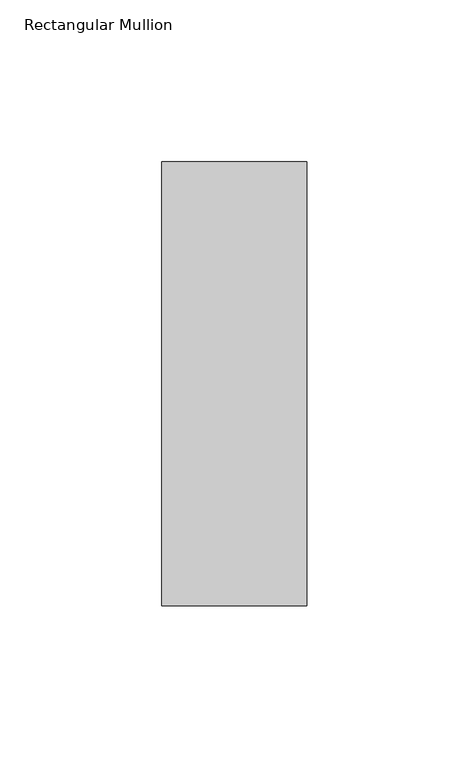
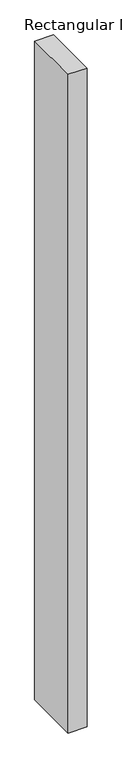
"""IFC4 building model written with IfcOpenShell, lengths in millimetres: member geometry, Rectangular Mullion."""

from ifc_helpers import new_model, si_unit, frame, origin, place, context, project, spatial, polyline, outline, extrude, source, transform, mapped, element, save


def rectangular_mullion_a0a3d3f4(model_context):
    return source(origin(), model_context, "Body", "SweptSolid", [
        extrude(outline(polyline([(-45.0, 84.19375), (0.0, 84.19375), (0.0, -53.19375), (-45.0, -53.19375), (-45.0, 84.19375)])), frame((0.0, 0.0, -1650.6976981), z_axis=(0.0, 0.0, 1.0), x_axis=(1.0, 0.0, 0.0)), (0.0, 0.0, 1.0), 1650.6976981),
    ])


if __name__ == "__main__":
    model = new_model("IFC4")
    model_context = context("Model", 3, world=origin())
    ifc_project = project(units=[si_unit("LENGTHUNIT", "METRE", prefix="MILLI")], contexts=[model_context])
    site = spatial("IfcSite", under=ifc_project)
    building = spatial("IfcBuilding", under=site)
    placement = place(None, origin())
    rectangular_mullion_shape = rectangular_mullion_a0a3d3f4(model_context)
    element("IfcMember", 1, ObjectType="Rectangular Mullion", at=placement, inside=building, context=model_context, shape_type="MappedRepresentation", body=[
        mapped(rectangular_mullion_shape, transform((0.0, 0.0, 0.0), x_axis=(1.0, 0.0, 0.0), y_axis=(0.0, 1.0, 0.0), z_axis=(0.0, 0.0, 1.0))),
    ])
    save(model, "model.ifc")
